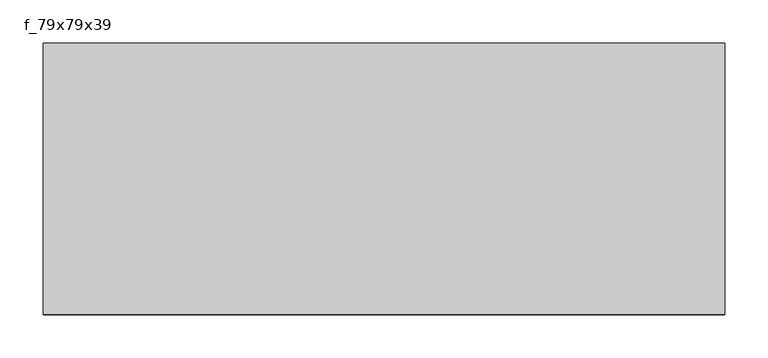
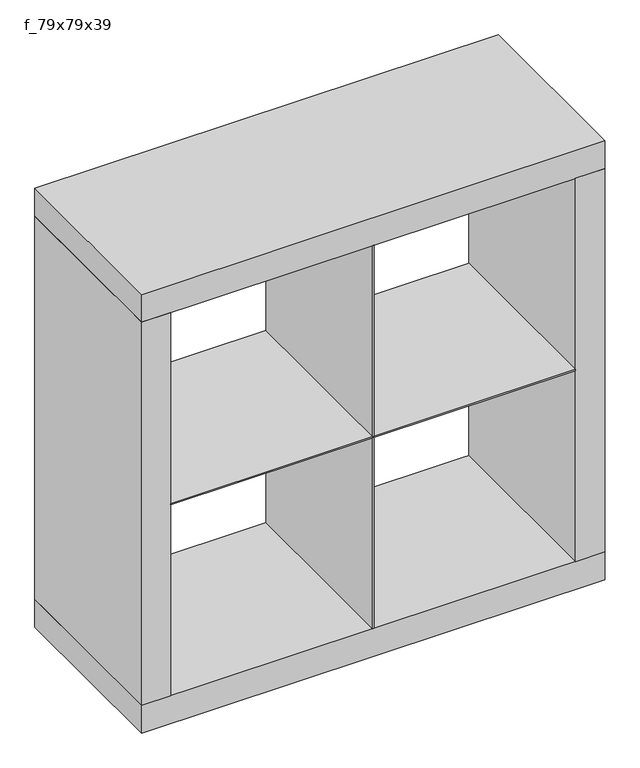
"""IFC4 building model written with IfcOpenShell, lengths in millimetres: proxy geometry, f_79x79x39."""

from ifc_helpers import new_model, si_unit, frame, origin, place, context, project, spatial, polyline, outline, extrude, source, transform, mapped, element, save


def f_79x79x39_46dd88bd(model_context):
    return source(origin(), model_context, "Body", "SweptSolid", [
        extrude(outline(polyline([(271.0, -465.0), (269.0, -465.0), (269.0, -150.0), (271.0, -150.0), (271.0, -465.0)])), frame((0.0, 0.0, 550.0), z_axis=(0.0, 0.0, 1.0), x_axis=(1.0, 0.0, 0.0)), (0.0, 0.0, 1.0), 344.0),
        extrude(outline(polyline([(271.0, -465.0), (269.0, -465.0), (269.0, -150.0), (271.0, -150.0), (271.0, -465.0)])), frame((0.0, 0.0, 896.0), z_axis=(0.0, 0.0, 1.0), x_axis=(1.0, 0.0, 0.0)), (0.0, 0.0, 1.0), 344.0),
        extrude(outline(polyline([(615.0, -465.0), (-75.0, -465.0), (-75.0, -150.0), (615.0, -150.0), (615.0, -465.0)])), frame((0.0, 0.0, 894.0), z_axis=(0.0, 0.0, 1.0), x_axis=(1.0, 0.0, 0.0)), (0.0, 0.0, 1.0), 2.0),
        extrude(outline(polyline([(665.0, -465.0), (615.0, -465.0), (615.0, -150.0), (665.0, -150.0), (665.0, -465.0)])), frame((0.0, 0.0, 550.0), z_axis=(0.0, 0.0, 1.0), x_axis=(1.0, 0.0, 0.0)), (0.0, 0.0, 1.0), 690.0),
        extrude(outline(polyline([(-75.0, -465.0), (-125.0, -465.0), (-125.0, -150.0), (-75.0, -150.0), (-75.0, -465.0)])), frame((0.0, 0.0, 550.0), z_axis=(0.0, 0.0, 1.0), x_axis=(1.0, 0.0, 0.0)), (0.0, 0.0, 1.0), 690.0),
        extrude(outline(polyline([(665.0, -465.0), (-125.0, -465.0), (-125.0, -150.0), (665.0, -150.0), (665.0, -465.0)])), frame((0.0, 0.0, 500.0), z_axis=(0.0, 0.0, 1.0), x_axis=(1.0, 0.0, 0.0)), (0.0, 0.0, 1.0), 50.0),
        extrude(outline(polyline([(665.0, -465.0), (-125.0, -465.0), (-125.0, -150.0), (665.0, -150.0), (665.0, -465.0)])), frame((0.0, 0.0, 1240.0), z_axis=(0.0, 0.0, 1.0), x_axis=(1.0, 0.0, 0.0)), (0.0, 0.0, 1.0), 50.0),
    ])


if __name__ == "__main__":
    model = new_model("IFC4")
    model_context = context("Model", 3, world=origin())
    ifc_project = project(units=[si_unit("LENGTHUNIT", "METRE", prefix="MILLI")], contexts=[model_context])
    site = spatial("IfcSite", under=ifc_project)
    building = spatial("IfcBuilding", under=site)
    placement = place(None, origin())
    f_79x79x39_shape = f_79x79x39_46dd88bd(model_context)
    element("IfcBuildingElementProxy", 1, Name="f_79x79x39", ObjectType="f_79x79x39", at=placement, inside=building, context=model_context, shape_type="MappedRepresentation", body=[
        mapped(f_79x79x39_shape, transform((0.0, 0.0, 0.0), x_axis=(1.0, 0.0, 0.0), y_axis=(0.0, 1.0, 0.0), z_axis=(0.0, 0.0, 1.0))),
    ])
    save(model, "model.ifc")
